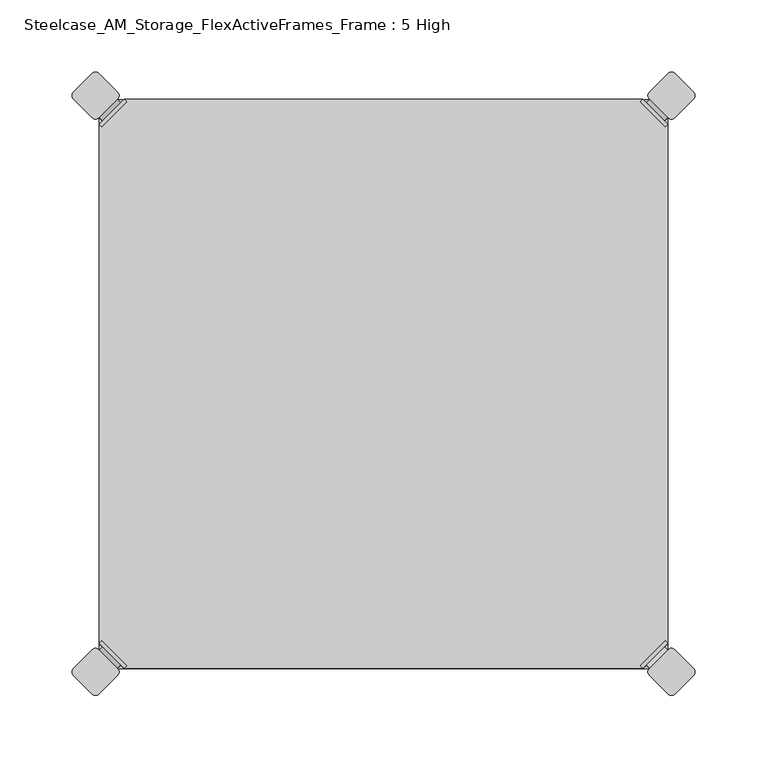
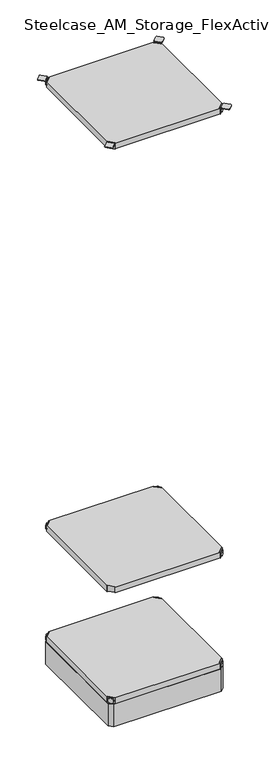
"""IFC4 building model written with IfcOpenShell, lengths in millimetres: furniture geometry, Steelcase_AM_Storage_FlexActiveFrames_Frame : 5 High."""

from ifc_helpers import new_model, si_unit, point, frame, frame_2d, origin, place, context, project, spatial, polyline, circle_curve, trimmed, segment, composite_curve, outline, extrude, source, transform, mapped, element, save
from ifc_brep_helpers import plane_surface, cylinder_surface, advanced_brep


def steelcase_am_storage_flexactiveframes_frame_5_high_f9ac3889(model_context):
    return source(origin(), model_context, "Body", "SolidModel", [
        advanced_brep(
        [(397.51, -380.2870969, 520.2936), (395.7139488, -378.4910456, 520.2936), (378.4910456, -395.7139488, 520.2936), (380.2870969, -397.51, 520.2936), (380.2870969, -397.51, 498.9576), (397.51, -380.2870969, 498.9576), (395.1847277, -382.6123691, 510.1336), (382.6123691, -395.1847277, 510.1336), (369.7579478, -352.5350447, 499.9736), (352.5350447, -369.7579478, 499.9736), (378.4910456, -395.7139488, 499.9736), (395.7139488, -378.4910456, 499.9736), (369.7579478, -352.5350447, 498.9576), (352.5350447, -369.7579478, 498.9576), (384.9272487, -397.4996073, 510.1336), (397.4996073, -384.9272487, 510.1336)],
        [
            (0, 1),
            (1, 2),
            (2, 3),
            (3, 0),
            (3, 4),
            (4, 5),
            (5, 0),
            (6, 7, circle_curve(frame((388.8985484, -388.8985484, 510.1336), z_axis=(-0.7071067811865446, 0.7071067811865505, 0.0), x_axis=(0.7071067811865505, 0.7071067811865446, 0.0)), 8.89)),
            (7, 6, circle_curve(frame((388.8985484, -388.8985484, 510.1336), z_axis=(-0.7071067811865446, 0.7071067811865505, 0.0), x_axis=(0.7071067811865505, 0.7071067811865446, 0.0)), 8.89)),
            (8, 9, circle_curve(frame((361.1464963, -361.1464963, 499.9736), z_axis=(0.0, 0.0, 1.0), x_axis=(-1.0, 0.0, 0.0)), 12.1784316)),
            (9, 10),
            (10, 11),
            (11, 8),
            (12, 5),
            (4, 13),
            (13, 12, circle_curve(frame((361.1464963, -361.1464963, 498.9576), z_axis=(0.0, 0.0, -1.0), x_axis=(-1.0, 0.0, 0.0)), 12.1784316)),
            (14, 15, circle_curve(frame((391.213428, -391.213428, 510.1336), z_axis=(0.7071067811865446, -0.7071067811865505, 0.0), x_axis=(0.7071067811865505, 0.7071067811865446, 0.0)), 8.89)),
            (15, 14, circle_curve(frame((391.213428, -391.213428, 510.1336), z_axis=(0.7071067811865446, -0.7071067811865505, 0.0), x_axis=(0.7071067811865505, 0.7071067811865446, 0.0)), 8.89)),
            (14, 7),
            (6, 15),
            (1, 11),
            (10, 2),
            (8, 12),
            (13, 9),
        ],
        [
            plane_surface(frame((419.7079872, -402.485084, 520.2936), z_axis=(0.0, 0.0, 1.0000000000000002), x_axis=(-0.7071067811865436, 0.7071067811865516, 0.0))),
            plane_surface(frame((380.2870969, -397.51, 520.2936), z_axis=(0.7071067811865447, -0.7071067811865503, 0.0), x_axis=(0.0, 0.0, -1.0))),
            plane_surface(frame((348.9680647, -361.1464963, 499.9736), z_axis=(0.0, 0.0, 1.0), x_axis=(0.0, -1.0, 0.0))),
            plane_surface(frame((348.9680647, -361.1464963, 498.9576), z_axis=(0.0, 0.0, -1.0), x_axis=(0.0, 1.0, 0.0))),
            plane_surface(frame((397.4996073, -384.9272487, 510.1336), z_axis=(0.7071067811865446, -0.7071067811865505, 0.0), x_axis=(0.0, 0.0, 1.0))),
            cylinder_surface(frame((388.8985484, -388.8985484, 510.1336), z_axis=(0.7071067811865446, -0.7071067811865505, 0.0), x_axis=(0.7071067811865505, 0.7071067811865446, 0.0)), 8.89),
            plane_surface(frame((395.7139488, -378.4910456, 520.2936), z_axis=(-0.7071067811865447, 0.7071067811865503, 0.0), x_axis=(0.0, 0.0, -1.0))),
            cylinder_surface(frame((361.1464963, -361.1464963, 498.9576), z_axis=(0.0, 0.0, 1.0), x_axis=(-1.0, 0.0, 0.0)), 12.1784316),
            plane_surface(frame((397.51, -380.2870969, 520.2936), z_axis=(0.7071067811865516, 0.7071067811865436, 0.0), x_axis=(0.0, 0.0, -1.0))),
            plane_surface(frame((378.4910456, -395.7139488, 520.2936), z_axis=(-0.7071067811865513, -0.7071067811865437, 0.0), x_axis=(0.0, 0.0, -1.0))),
        ],
        [
            (0, [[1, 2, 3, 4]]),
            (1, [[-4, 5, 6, 7], [8, 9]]),
            (2, [[10, 11, 12, 13]]),
            (3, [[14, -6, 15, 16]]),
            (4, [[17, 18]]),
            (5, [[-17, 19, -8, 20]]),
            (5, [[-18, -20, -9, -19]]),
            (6, [[-2, 21, -12, 22]]),
            (7, [[-10, 23, -16, 24]]),
            (8, [[-1, -7, -14, -23, -13, -21]]),
            (9, [[-3, -22, -11, -24, -15, -5]]),
        ],
    ),
        advanced_brep(
        [(397.51, -19.7629031, 520.2936), (380.2870969, -2.54, 520.2936), (378.4910456, -4.3360512, 520.2936), (395.7139488, -21.5589544, 520.2936), (397.51, -19.7629031, 498.9576), (380.2870969, -2.54, 498.9576), (395.1847277, -17.4376309, 510.1336), (382.6123691, -4.8652723, 510.1336), (369.7579478, -47.5149553, 499.9736), (395.7139488, -21.5589544, 499.9736), (378.4910456, -4.3360512, 499.9736), (352.5350447, -30.2920522, 499.9736), (369.7579478, -47.5149553, 498.9576), (352.5350447, -30.2920522, 498.9576), (384.9272487, -2.5503927, 510.1336), (397.4996073, -15.1227513, 510.1336)],
        [
            (0, 1),
            (1, 2),
            (2, 3),
            (3, 0),
            (0, 4),
            (4, 5),
            (5, 1),
            (6, 7, circle_curve(frame((388.8985484, -11.1514516, 510.1336), z_axis=(-0.7071067811865469, -0.7071067811865481, 0.0), x_axis=(0.7071067811865481, -0.7071067811865469, 0.0)), 8.89)),
            (7, 6, circle_curve(frame((388.8985484, -11.1514516, 510.1336), z_axis=(-0.7071067811865469, -0.7071067811865481, 0.0), x_axis=(0.7071067811865481, -0.7071067811865469, 0.0)), 8.89)),
            (8, 9),
            (9, 10),
            (10, 11),
            (11, 8, circle_curve(frame((361.1464963, -38.9035037, 499.9736), z_axis=(0.0, 0.0, 1.0), x_axis=(-1.0, 0.0, 0.0)), 12.1784316)),
            (12, 13, circle_curve(frame((361.1464963, -38.9035037, 498.9576), z_axis=(0.0, 0.0, -1.0), x_axis=(-1.0, 0.0, 0.0)), 12.1784316)),
            (13, 5),
            (4, 12),
            (14, 15, circle_curve(frame((391.213428, -8.836572, 510.1336), z_axis=(0.7071067811865469, 0.7071067811865481, 0.0), x_axis=(0.7071067811865481, -0.7071067811865469, 0.0)), 8.89)),
            (15, 14, circle_curve(frame((391.213428, -8.836572, 510.1336), z_axis=(0.7071067811865469, 0.7071067811865481, 0.0), x_axis=(0.7071067811865481, -0.7071067811865469, 0.0)), 8.89)),
            (15, 6),
            (7, 14),
            (2, 10),
            (9, 3),
            (11, 13),
            (12, 8),
        ],
        [
            plane_surface(frame((419.7079872, 2.435084, 520.2936), z_axis=(0.0, 0.0, 1.0000000000000002), x_axis=(-0.7071067811865459, -0.7071067811865492, 0.0))),
            plane_surface(frame((380.2870969, -2.54, 520.2936), z_axis=(0.707106781186547, 0.707106781186548, 0.0), x_axis=(0.0, 0.0, -1.0))),
            plane_surface(frame((348.9680647, -38.9035037, 499.9736), z_axis=(0.0, 0.0, 1.0), x_axis=(0.0, 1.0, 0.0))),
            plane_surface(frame((348.9680647, -38.9035037, 498.9576), z_axis=(0.0, 0.0, -1.0), x_axis=(0.0, -1.0, 0.0))),
            plane_surface(frame((397.4996073, -15.1227513, 510.1336), z_axis=(0.7071067811865469, 0.7071067811865481, 0.0), x_axis=(0.0, 0.0, 1.0))),
            cylinder_surface(frame((388.8985484, -11.1514516, 510.1336), z_axis=(0.7071067811865469, 0.7071067811865481, 0.0), x_axis=(0.7071067811865481, -0.7071067811865469, 0.0)), 8.89),
            plane_surface(frame((395.7139488, -21.5589544, 520.2936), z_axis=(-0.707106781186547, -0.707106781186548, 0.0), x_axis=(0.0, 0.0, -1.0))),
            cylinder_surface(frame((361.1464963, -38.9035037, 498.9576), z_axis=(0.0, 0.0, 1.0), x_axis=(-1.0, 0.0, 0.0)), 12.1784316),
            plane_surface(frame((397.51, -19.7629031, 520.2936), z_axis=(0.7071067811865492, -0.7071067811865459, 0.0), x_axis=(0.0, 0.0, -1.0))),
            plane_surface(frame((378.4910456, -4.3360512, 520.2936), z_axis=(-0.707106781186549, 0.707106781186546, 0.0), x_axis=(0.0, 0.0, -1.0))),
        ],
        [
            (0, [[1, 2, 3, 4]]),
            (1, [[5, 6, 7, -1], [8, 9]]),
            (2, [[10, 11, 12, 13]]),
            (3, [[14, 15, -6, 16]]),
            (4, [[17, 18]]),
            (5, [[19, -9, 20, -18]]),
            (5, [[-20, -8, -19, -17]]),
            (6, [[21, -11, 22, -3]]),
            (7, [[23, -14, 24, -13]]),
            (8, [[-22, -10, -24, -16, -5, -4]]),
            (9, [[-7, -15, -23, -12, -21, -2]]),
        ],
    ),
        advanced_brep(
        [(2.54, -19.7629031, 520.2936), (4.3360512, -21.5589544, 520.2936), (21.5589544, -4.3360512, 520.2936), (19.7629031, -2.54, 520.2936), (19.7629031, -2.54, 498.9576), (2.54, -19.7629031, 498.9576), (4.8652723, -17.4376309, 510.1336), (17.4376309, -4.8652723, 510.1336), (30.2920522, -47.5149553, 499.9736), (47.5149553, -30.2920522, 499.9736), (21.5589544, -4.3360512, 499.9736), (4.3360512, -21.5589544, 499.9736), (30.2920522, -47.5149553, 498.9576), (47.5149553, -30.2920522, 498.9576), (15.1227513, -2.5503927, 510.1336), (2.5503927, -15.1227513, 510.1336)],
        [
            (0, 1),
            (1, 2),
            (2, 3),
            (3, 0),
            (3, 4),
            (4, 5),
            (5, 0),
            (6, 7, circle_curve(frame((11.1514516, -11.1514516, 510.1336), z_axis=(0.7071067811865469, -0.7071067811865481, 0.0), x_axis=(-0.7071067811865481, -0.7071067811865469, 0.0)), 8.89)),
            (7, 6, circle_curve(frame((11.1514516, -11.1514516, 510.1336), z_axis=(0.7071067811865469, -0.7071067811865481, 0.0), x_axis=(-0.7071067811865481, -0.7071067811865469, 0.0)), 8.89)),
            (8, 9, circle_curve(frame((38.9035037, -38.9035037, 499.9736), z_axis=(0.0, 0.0, 1.0), x_axis=(1.0, 0.0, 0.0)), 12.1784316)),
            (9, 10),
            (10, 11),
            (11, 8),
            (12, 5),
            (4, 13),
            (13, 12, circle_curve(frame((38.9035037, -38.9035037, 498.9576), z_axis=(0.0, 0.0, -1.0), x_axis=(1.0, 0.0, 0.0)), 12.1784316)),
            (14, 15, circle_curve(frame((8.836572, -8.836572, 510.1336), z_axis=(-0.7071067811865469, 0.7071067811865481, 0.0), x_axis=(-0.7071067811865481, -0.7071067811865469, 0.0)), 8.89)),
            (15, 14, circle_curve(frame((8.836572, -8.836572, 510.1336), z_axis=(-0.7071067811865469, 0.7071067811865481, 0.0), x_axis=(-0.7071067811865481, -0.7071067811865469, 0.0)), 8.89)),
            (14, 7),
            (6, 15),
            (1, 11),
            (10, 2),
            (8, 12),
            (13, 9),
        ],
        [
            plane_surface(frame((-19.6579872, 2.435084, 520.2936), z_axis=(0.0, 0.0, 1.0000000000000002), x_axis=(0.7071067811865459, -0.7071067811865492, 0.0))),
            plane_surface(frame((19.7629031, -2.54, 520.2936), z_axis=(-0.707106781186547, 0.707106781186548, 0.0), x_axis=(0.0, 0.0, -1.0))),
            plane_surface(frame((51.0819353, -38.9035037, 499.9736), z_axis=(0.0, 0.0, 1.0), x_axis=(0.0, 1.0, 0.0))),
            plane_surface(frame((51.0819353, -38.9035037, 498.9576), z_axis=(0.0, 0.0, -1.0), x_axis=(0.0, -1.0, 0.0))),
            plane_surface(frame((2.5503927, -15.1227513, 510.1336), z_axis=(-0.7071067811865469, 0.7071067811865481, 0.0), x_axis=(0.0, 0.0, 1.0))),
            cylinder_surface(frame((11.1514516, -11.1514516, 510.1336), z_axis=(-0.7071067811865469, 0.7071067811865481, 0.0), x_axis=(-0.7071067811865481, -0.7071067811865469, 0.0)), 8.89),
            plane_surface(frame((4.3360512, -21.5589544, 520.2936), z_axis=(0.707106781186547, -0.707106781186548, 0.0), x_axis=(0.0, 0.0, -1.0))),
            cylinder_surface(frame((38.9035037, -38.9035037, 498.9576), z_axis=(0.0, 0.0, 1.0), x_axis=(1.0, 0.0, 0.0)), 12.1784316),
            plane_surface(frame((2.54, -19.7629031, 520.2936), z_axis=(-0.7071067811865492, -0.7071067811865459, 0.0), x_axis=(0.0, 0.0, -1.0))),
            plane_surface(frame((21.5589544, -4.3360512, 520.2936), z_axis=(0.707106781186549, 0.707106781186546, 0.0), x_axis=(0.0, 0.0, -1.0))),
        ],
        [
            (0, [[1, 2, 3, 4]]),
            (1, [[-4, 5, 6, 7], [8, 9]]),
            (2, [[10, 11, 12, 13]]),
            (3, [[14, -6, 15, 16]]),
            (4, [[17, 18]]),
            (5, [[-17, 19, -8, 20]]),
            (5, [[-18, -20, -9, -19]]),
            (6, [[-2, 21, -12, 22]]),
            (7, [[-10, 23, -16, 24]]),
            (8, [[-1, -7, -14, -23, -13, -21]]),
            (9, [[-3, -22, -11, -24, -15, -5]]),
        ],
    ),
        extrude(outline(polyline([(19.7629031, -2.54), (380.2870969, -2.54), (378.4910456, -4.3360512), (395.7139488, -21.5589544), (397.51, -19.7629031), (397.51, -380.2870969), (395.7139488, -378.4910456), (378.4910456, -395.7139488), (380.2870969, -397.51), (19.7629031, -397.51), (21.5589544, -395.7139488), (4.3360512, -378.4910456), (2.54, -380.2870969), (2.54, -19.7629031), (4.3360512, -21.5589544), (21.5589544, -4.3360512), (19.7629031, -2.54)])), frame((0.0, 0.0, 499.9736), z_axis=(0.0, 0.0, 1.0), x_axis=(1.0, 0.0, 0.0)), (0.0, 0.0, 1.0), 20.32),
        advanced_brep(
        [(2.54, -380.2870969, 2127.25), (19.7629031, -397.51, 2127.25), (21.5589544, -395.7139488, 2127.25), (4.3360512, -378.4910456, 2127.25), (2.54, -380.2870969, 2105.914), (19.7629031, -397.51, 2105.914), (4.8652723, -382.6123691, 2117.09), (17.4376309, -395.1847277, 2117.09), (30.2920522, -352.5350447, 2106.93), (4.3360512, -378.4910456, 2106.93), (21.5589544, -395.7139488, 2106.93), (47.5149553, -369.7579478, 2106.93), (30.2920522, -352.5350447, 2105.914), (47.5149553, -369.7579478, 2105.914), (15.1227513, -397.4996073, 2117.09), (2.5503927, -384.9272487, 2117.09)],
        [
            (0, 1),
            (1, 2),
            (2, 3),
            (3, 0),
            (0, 4),
            (4, 5),
            (5, 1),
            (6, 7, circle_curve(frame((11.1514516, -388.8985484, 2117.09), z_axis=(0.7071067811865446, 0.7071067811865505, 0.0), x_axis=(-0.7071067811865505, 0.7071067811865446, 0.0)), 8.89)),
            (7, 6, circle_curve(frame((11.1514516, -388.8985484, 2117.09), z_axis=(0.7071067811865446, 0.7071067811865505, 0.0), x_axis=(-0.7071067811865505, 0.7071067811865446, 0.0)), 8.89)),
            (8, 9),
            (9, 10),
            (10, 11),
            (11, 8, circle_curve(frame((38.9035037, -361.1464963, 2106.93), z_axis=(0.0, 0.0, 1.0), x_axis=(1.0, 0.0, 0.0)), 12.1784316)),
            (12, 13, circle_curve(frame((38.9035037, -361.1464963, 2105.914), z_axis=(0.0, 0.0, -1.0), x_axis=(1.0, 0.0, 0.0)), 12.1784316)),
            (13, 5),
            (4, 12),
            (14, 15, circle_curve(frame((8.836572, -391.213428, 2117.09), z_axis=(-0.7071067811865446, -0.7071067811865505, 0.0), x_axis=(-0.7071067811865505, 0.7071067811865446, 0.0)), 8.89)),
            (15, 14, circle_curve(frame((8.836572, -391.213428, 2117.09), z_axis=(-0.7071067811865446, -0.7071067811865505, 0.0), x_axis=(-0.7071067811865505, 0.7071067811865446, 0.0)), 8.89)),
            (15, 6),
            (7, 14),
            (2, 10),
            (9, 3),
            (11, 13),
            (12, 8),
        ],
        [
            plane_surface(frame((-19.6579872, -402.485084, 2127.25), z_axis=(0.0, 0.0, 1.0000000000000002), x_axis=(0.7071067811865436, 0.7071067811865516, 0.0))),
            plane_surface(frame((19.7629031, -397.51, 2127.25), z_axis=(-0.7071067811865447, -0.7071067811865503, 0.0), x_axis=(0.0, 0.0, -1.0))),
            plane_surface(frame((51.0819353, -361.1464963, 2106.93), z_axis=(0.0, 0.0, 1.0), x_axis=(0.0, -1.0, 0.0))),
            plane_surface(frame((51.0819353, -361.1464963, 2105.914), z_axis=(0.0, 0.0, -1.0), x_axis=(0.0, 1.0, 0.0))),
            plane_surface(frame((2.5503927, -384.9272487, 2117.09), z_axis=(-0.7071067811865446, -0.7071067811865505, 0.0), x_axis=(0.0, 0.0, 1.0))),
            cylinder_surface(frame((11.1514516, -388.8985484, 2117.09), z_axis=(-0.7071067811865446, -0.7071067811865505, 0.0), x_axis=(-0.7071067811865505, 0.7071067811865446, 0.0)), 8.89),
            plane_surface(frame((4.3360512, -378.4910456, 2127.25), z_axis=(0.7071067811865447, 0.7071067811865503, 0.0), x_axis=(0.0, 0.0, -1.0))),
            cylinder_surface(frame((38.9035037, -361.1464963, 2105.914), z_axis=(0.0, 0.0, 1.0), x_axis=(1.0, 0.0, 0.0)), 12.1784316),
            plane_surface(frame((2.54, -380.2870969, 2127.25), z_axis=(-0.7071067811865516, 0.7071067811865436, 0.0), x_axis=(0.0, 0.0, -1.0))),
            plane_surface(frame((21.5589544, -395.7139488, 2127.25), z_axis=(0.7071067811865513, -0.7071067811865437, 0.0), x_axis=(0.0, 0.0, -1.0))),
        ],
        [
            (0, [[1, 2, 3, 4]]),
            (1, [[5, 6, 7, -1], [8, 9]]),
            (2, [[10, 11, 12, 13]]),
            (3, [[14, 15, -6, 16]]),
            (4, [[17, 18]]),
            (5, [[19, -9, 20, -18]]),
            (5, [[-20, -8, -19, -17]]),
            (6, [[21, -11, 22, -3]]),
            (7, [[23, -14, 24, -13]]),
            (8, [[-22, -10, -24, -16, -5, -4]]),
            (9, [[-7, -15, -23, -12, -21, -2]]),
        ],
    ),
        advanced_brep(
        [(397.51, -380.2870969, 2127.25), (395.7139488, -378.4910456, 2127.25), (378.4910456, -395.7139488, 2127.25), (380.2870969, -397.51, 2127.25), (380.2870969, -397.51, 2105.914), (397.51, -380.2870969, 2105.914), (395.1847277, -382.6123691, 2117.09), (382.6123691, -395.1847277, 2117.09), (369.7579478, -352.5350447, 2106.93), (352.5350447, -369.7579478, 2106.93), (378.4910456, -395.7139488, 2106.93), (395.7139488, -378.4910456, 2106.93), (369.7579478, -352.5350447, 2105.914), (352.5350447, -369.7579478, 2105.914), (384.9272487, -397.4996073, 2117.09), (397.4996073, -384.9272487, 2117.09)],
        [
            (0, 1),
            (1, 2),
            (2, 3),
            (3, 0),
            (3, 4),
            (4, 5),
            (5, 0),
            (6, 7, circle_curve(frame((388.8985484, -388.8985484, 2117.09), z_axis=(-0.7071067811865446, 0.7071067811865505, 0.0), x_axis=(0.7071067811865505, 0.7071067811865446, 0.0)), 8.89)),
            (7, 6, circle_curve(frame((388.8985484, -388.8985484, 2117.09), z_axis=(-0.7071067811865446, 0.7071067811865505, 0.0), x_axis=(0.7071067811865505, 0.7071067811865446, 0.0)), 8.89)),
            (8, 9, circle_curve(frame((361.1464963, -361.1464963, 2106.93), z_axis=(0.0, 0.0, 1.0), x_axis=(-1.0, 0.0, 0.0)), 12.1784316)),
            (9, 10),
            (10, 11),
            (11, 8),
            (12, 5),
            (4, 13),
            (13, 12, circle_curve(frame((361.1464963, -361.1464963, 2105.914), z_axis=(0.0, 0.0, -1.0), x_axis=(-1.0, 0.0, 0.0)), 12.1784316)),
            (14, 15, circle_curve(frame((391.213428, -391.213428, 2117.09), z_axis=(0.7071067811865446, -0.7071067811865505, 0.0), x_axis=(0.7071067811865505, 0.7071067811865446, 0.0)), 8.89)),
            (15, 14, circle_curve(frame((391.213428, -391.213428, 2117.09), z_axis=(0.7071067811865446, -0.7071067811865505, 0.0), x_axis=(0.7071067811865505, 0.7071067811865446, 0.0)), 8.89)),
            (14, 7),
            (6, 15),
            (1, 11),
            (10, 2),
            (8, 12),
            (13, 9),
        ],
        [
            plane_surface(frame((419.7079872, -402.485084, 2127.25), z_axis=(0.0, 0.0, 1.0000000000000002), x_axis=(-0.7071067811865436, 0.7071067811865516, 0.0))),
            plane_surface(frame((380.2870969, -397.51, 2127.25), z_axis=(0.7071067811865447, -0.7071067811865503, 0.0), x_axis=(0.0, 0.0, -1.0))),
            plane_surface(frame((348.9680647, -361.1464963, 2106.93), z_axis=(0.0, 0.0, 1.0), x_axis=(0.0, -1.0, 0.0))),
            plane_surface(frame((348.9680647, -361.1464963, 2105.914), z_axis=(0.0, 0.0, -1.0), x_axis=(0.0, 1.0, 0.0))),
            plane_surface(frame((397.4996073, -384.9272487, 2117.09), z_axis=(0.7071067811865446, -0.7071067811865505, 0.0), x_axis=(0.0, 0.0, 1.0))),
            cylinder_surface(frame((388.8985484, -388.8985484, 2117.09), z_axis=(0.7071067811865446, -0.7071067811865505, 0.0), x_axis=(0.7071067811865505, 0.7071067811865446, 0.0)), 8.89),
            plane_surface(frame((395.7139488, -378.4910456, 2127.25), z_axis=(-0.7071067811865447, 0.7071067811865503, 0.0), x_axis=(0.0, 0.0, -1.0))),
            cylinder_surface(frame((361.1464963, -361.1464963, 2105.914), z_axis=(0.0, 0.0, 1.0), x_axis=(-1.0, 0.0, 0.0)), 12.1784316),
            plane_surface(frame((397.51, -380.2870969, 2127.25), z_axis=(0.7071067811865516, 0.7071067811865436, 0.0), x_axis=(0.0, 0.0, -1.0))),
            plane_surface(frame((378.4910456, -395.7139488, 2127.25), z_axis=(-0.7071067811865513, -0.7071067811865437, 0.0), x_axis=(0.0, 0.0, -1.0))),
        ],
        [
            (0, [[1, 2, 3, 4]]),
            (1, [[-4, 5, 6, 7], [8, 9]]),
            (2, [[10, 11, 12, 13]]),
            (3, [[14, -6, 15, 16]]),
            (4, [[17, 18]]),
            (5, [[-17, 19, -8, 20]]),
            (5, [[-18, -20, -9, -19]]),
            (6, [[-2, 21, -12, 22]]),
            (7, [[-10, 23, -16, 24]]),
            (8, [[-1, -7, -14, -23, -13, -21]]),
            (9, [[-3, -22, -11, -24, -15, -5]]),
        ],
    ),
        advanced_brep(
        [(397.51, -19.7629031, 2127.25), (380.2870969, -2.54, 2127.25), (378.4910456, -4.3360512, 2127.25), (395.7139488, -21.5589544, 2127.25), (397.51, -19.7629031, 2105.914), (380.2870969, -2.54, 2105.914), (395.1847277, -17.4376309, 2117.09), (382.6123691, -4.8652723, 2117.09), (369.7579478, -47.5149553, 2106.93), (395.7139488, -21.5589544, 2106.93), (378.4910456, -4.3360512, 2106.93), (352.5350447, -30.2920522, 2106.93), (369.7579478, -47.5149553, 2105.914), (352.5350447, -30.2920522, 2105.914), (384.9272487, -2.5503927, 2117.09), (397.4996073, -15.1227513, 2117.09)],
        [
            (0, 1),
            (1, 2),
            (2, 3),
            (3, 0),
            (0, 4),
            (4, 5),
            (5, 1),
            (6, 7, circle_curve(frame((388.8985484, -11.1514516, 2117.09), z_axis=(-0.7071067811865469, -0.7071067811865481, 0.0), x_axis=(0.7071067811865481, -0.7071067811865469, 0.0)), 8.89)),
            (7, 6, circle_curve(frame((388.8985484, -11.1514516, 2117.09), z_axis=(-0.7071067811865469, -0.7071067811865481, 0.0), x_axis=(0.7071067811865481, -0.7071067811865469, 0.0)), 8.89)),
            (8, 9),
            (9, 10),
            (10, 11),
            (11, 8, circle_curve(frame((361.1464963, -38.9035037, 2106.93), z_axis=(0.0, 0.0, 1.0), x_axis=(-1.0, 0.0, 0.0)), 12.1784316)),
            (12, 13, circle_curve(frame((361.1464963, -38.9035037, 2105.914), z_axis=(0.0, 0.0, -1.0), x_axis=(-1.0, 0.0, 0.0)), 12.1784316)),
            (13, 5),
            (4, 12),
            (14, 15, circle_curve(frame((391.213428, -8.836572, 2117.09), z_axis=(0.7071067811865469, 0.7071067811865481, 0.0), x_axis=(0.7071067811865481, -0.7071067811865469, 0.0)), 8.89)),
            (15, 14, circle_curve(frame((391.213428, -8.836572, 2117.09), z_axis=(0.7071067811865469, 0.7071067811865481, 0.0), x_axis=(0.7071067811865481, -0.7071067811865469, 0.0)), 8.89)),
            (15, 6),
            (7, 14),
            (2, 10),
            (9, 3),
            (11, 13),
            (12, 8),
        ],
        [
            plane_surface(frame((419.7079872, 2.435084, 2127.25), z_axis=(0.0, 0.0, 1.0000000000000002), x_axis=(-0.7071067811865459, -0.7071067811865492, 0.0))),
            plane_surface(frame((380.2870969, -2.54, 2127.25), z_axis=(0.707106781186547, 0.707106781186548, 0.0), x_axis=(0.0, 0.0, -1.0))),
            plane_surface(frame((348.9680647, -38.9035037, 2106.93), z_axis=(0.0, 0.0, 1.0), x_axis=(0.0, 1.0, 0.0))),
            plane_surface(frame((348.9680647, -38.9035037, 2105.914), z_axis=(0.0, 0.0, -1.0), x_axis=(0.0, -1.0, 0.0))),
            plane_surface(frame((397.4996073, -15.1227513, 2117.09), z_axis=(0.7071067811865469, 0.7071067811865481, 0.0), x_axis=(0.0, 0.0, 1.0))),
            cylinder_surface(frame((388.8985484, -11.1514516, 2117.09), z_axis=(0.7071067811865469, 0.7071067811865481, 0.0), x_axis=(0.7071067811865481, -0.7071067811865469, 0.0)), 8.89),
            plane_surface(frame((395.7139488, -21.5589544, 2127.25), z_axis=(-0.707106781186547, -0.707106781186548, 0.0), x_axis=(0.0, 0.0, -1.0))),
            cylinder_surface(frame((361.1464963, -38.9035037, 2105.914), z_axis=(0.0, 0.0, 1.0), x_axis=(-1.0, 0.0, 0.0)), 12.1784316),
            plane_surface(frame((397.51, -19.7629031, 2127.25), z_axis=(0.7071067811865492, -0.7071067811865459, 0.0), x_axis=(0.0, 0.0, -1.0))),
            plane_surface(frame((378.4910456, -4.3360512, 2127.25), z_axis=(-0.707106781186549, 0.707106781186546, 0.0), x_axis=(0.0, 0.0, -1.0))),
        ],
        [
            (0, [[1, 2, 3, 4]]),
            (1, [[5, 6, 7, -1], [8, 9]]),
            (2, [[10, 11, 12, 13]]),
            (3, [[14, 15, -6, 16]]),
            (4, [[17, 18]]),
            (5, [[19, -9, 20, -18]]),
            (5, [[-20, -8, -19, -17]]),
            (6, [[21, -11, 22, -3]]),
            (7, [[23, -14, 24, -13]]),
            (8, [[-22, -10, -24, -16, -5, -4]]),
            (9, [[-7, -15, -23, -12, -21, -2]]),
        ],
    ),
        advanced_brep(
        [(2.54, -19.7629031, 2127.25), (4.3360512, -21.5589544, 2127.25), (21.5589544, -4.3360512, 2127.25), (19.7629031, -2.54, 2127.25), (19.7629031, -2.54, 2105.914), (2.54, -19.7629031, 2105.914), (4.8652723, -17.4376309, 2117.09), (17.4376309, -4.8652723, 2117.09), (30.2920522, -47.5149553, 2106.93), (47.5149553, -30.2920522, 2106.93), (21.5589544, -4.3360512, 2106.93), (4.3360512, -21.5589544, 2106.93), (30.2920522, -47.5149553, 2105.914), (47.5149553, -30.2920522, 2105.914), (15.1227513, -2.5503927, 2117.09), (2.5503927, -15.1227513, 2117.09)],
        [
            (0, 1),
            (1, 2),
            (2, 3),
            (3, 0),
            (3, 4),
            (4, 5),
            (5, 0),
            (6, 7, circle_curve(frame((11.1514516, -11.1514516, 2117.09), z_axis=(0.7071067811865469, -0.7071067811865481, 0.0), x_axis=(-0.7071067811865481, -0.7071067811865469, 0.0)), 8.89)),
            (7, 6, circle_curve(frame((11.1514516, -11.1514516, 2117.09), z_axis=(0.7071067811865469, -0.7071067811865481, 0.0), x_axis=(-0.7071067811865481, -0.7071067811865469, 0.0)), 8.89)),
            (8, 9, circle_curve(frame((38.9035037, -38.9035037, 2106.93), z_axis=(0.0, 0.0, 1.0), x_axis=(1.0, 0.0, 0.0)), 12.1784316)),
            (9, 10),
            (10, 11),
            (11, 8),
            (12, 5),
            (4, 13),
            (13, 12, circle_curve(frame((38.9035037, -38.9035037, 2105.914), z_axis=(0.0, 0.0, -1.0), x_axis=(1.0, 0.0, 0.0)), 12.1784316)),
            (14, 15, circle_curve(frame((8.836572, -8.836572, 2117.09), z_axis=(-0.7071067811865469, 0.7071067811865481, 0.0), x_axis=(-0.7071067811865481, -0.7071067811865469, 0.0)), 8.89)),
            (15, 14, circle_curve(frame((8.836572, -8.836572, 2117.09), z_axis=(-0.7071067811865469, 0.7071067811865481, 0.0), x_axis=(-0.7071067811865481, -0.7071067811865469, 0.0)), 8.89)),
            (14, 7),
            (6, 15),
            (1, 11),
            (10, 2),
            (8, 12),
            (13, 9),
        ],
        [
            plane_surface(frame((-19.6579872, 2.435084, 2127.25), z_axis=(0.0, 0.0, 1.0000000000000002), x_axis=(0.7071067811865459, -0.7071067811865492, 0.0))),
            plane_surface(frame((19.7629031, -2.54, 2127.25), z_axis=(-0.707106781186547, 0.707106781186548, 0.0), x_axis=(0.0, 0.0, -1.0))),
            plane_surface(frame((51.0819353, -38.9035037, 2106.93), z_axis=(0.0, 0.0, 1.0), x_axis=(0.0, 1.0, 0.0))),
            plane_surface(frame((51.0819353, -38.9035037, 2105.914), z_axis=(0.0, 0.0, -1.0), x_axis=(0.0, -1.0, 0.0))),
            plane_surface(frame((2.5503927, -15.1227513, 2117.09), z_axis=(-0.7071067811865469, 0.7071067811865481, 0.0), x_axis=(0.0, 0.0, 1.0))),
            cylinder_surface(frame((11.1514516, -11.1514516, 2117.09), z_axis=(-0.7071067811865469, 0.7071067811865481, 0.0), x_axis=(-0.7071067811865481, -0.7071067811865469, 0.0)), 8.89),
            plane_surface(frame((4.3360512, -21.5589544, 2127.25), z_axis=(0.707106781186547, -0.707106781186548, 0.0), x_axis=(0.0, 0.0, -1.0))),
            cylinder_surface(frame((38.9035037, -38.9035037, 2105.914), z_axis=(0.0, 0.0, 1.0), x_axis=(1.0, 0.0, 0.0)), 12.1784316),
            plane_surface(frame((2.54, -19.7629031, 2127.25), z_axis=(-0.7071067811865492, -0.7071067811865459, 0.0), x_axis=(0.0, 0.0, -1.0))),
            plane_surface(frame((21.5589544, -4.3360512, 2127.25), z_axis=(0.707106781186549, 0.707106781186546, 0.0), x_axis=(0.0, 0.0, -1.0))),
        ],
        [
            (0, [[1, 2, 3, 4]]),
            (1, [[-4, 5, 6, 7], [8, 9]]),
            (2, [[10, 11, 12, 13]]),
            (3, [[14, -6, 15, 16]]),
            (4, [[17, 18]]),
            (5, [[-17, 19, -8, 20]]),
            (5, [[-18, -20, -9, -19]]),
            (6, [[-2, 21, -12, 22]]),
            (7, [[-10, 23, -16, 24]]),
            (8, [[-1, -7, -14, -23, -13, -21]]),
            (9, [[-3, -22, -11, -24, -15, -5]]),
        ],
    ),
        extrude(outline(polyline([(19.7629031, -2.54), (380.2870969, -2.54), (378.4910456, -4.3360512), (395.7139488, -21.5589544), (397.51, -19.7629031), (397.51, -380.2870969), (395.7139488, -378.4910456), (378.4910456, -395.7139488), (380.2870969, -397.51), (19.7629031, -397.51), (21.5589544, -395.7139488), (4.3360512, -378.4910456), (2.54, -380.2870969), (2.54, -19.7629031), (4.3360512, -21.5589544), (21.5589544, -4.3360512), (19.7629031, -2.54)])), frame((0.0, 0.0, 2106.93), z_axis=(0.0, 0.0, 1.0), x_axis=(1.0, 0.0, 0.0)), (0.0, 0.0, 1.0), 20.32),
        advanced_brep(
        [(2.54, -380.2870969, 118.9736), (19.7629031, -397.51, 118.9736), (21.5589544, -395.7139488, 118.9736), (4.3360512, -378.4910456, 118.9736), (2.54, -380.2870969, 97.6376), (19.7629031, -397.51, 97.6376), (4.8652723, -382.6123691, 108.8136), (17.4376309, -395.1847277, 108.8136), (30.2920522, -352.5350447, 98.6536), (4.3360512, -378.4910456, 98.6536), (21.5589544, -395.7139488, 98.6536), (47.5149553, -369.7579478, 98.6536), (30.2920522, -352.5350447, 97.6376), (47.5149553, -369.7579478, 97.6376), (15.1227513, -397.4996073, 108.8136), (2.5503927, -384.9272487, 108.8136)],
        [
            (0, 1),
            (1, 2),
            (2, 3),
            (3, 0),
            (0, 4),
            (4, 5),
            (5, 1),
            (6, 7, circle_curve(frame((11.1514516, -388.8985484, 108.8136), z_axis=(0.7071067811865446, 0.7071067811865505, 0.0), x_axis=(-0.7071067811865505, 0.7071067811865446, 0.0)), 8.89)),
            (7, 6, circle_curve(frame((11.1514516, -388.8985484, 108.8136), z_axis=(0.7071067811865446, 0.7071067811865505, 0.0), x_axis=(-0.7071067811865505, 0.7071067811865446, 0.0)), 8.89)),
            (8, 9),
            (9, 10),
            (10, 11),
            (11, 8, circle_curve(frame((38.9035037, -361.1464963, 98.6536), z_axis=(0.0, 0.0, 1.0), x_axis=(1.0, 0.0, 0.0)), 12.1784316)),
            (12, 13, circle_curve(frame((38.9035037, -361.1464963, 97.6376), z_axis=(0.0, 0.0, -1.0), x_axis=(1.0, 0.0, 0.0)), 12.1784316)),
            (13, 5),
            (4, 12),
            (14, 15, circle_curve(frame((8.836572, -391.213428, 108.8136), z_axis=(-0.7071067811865446, -0.7071067811865505, 0.0), x_axis=(-0.7071067811865505, 0.7071067811865446, 0.0)), 8.89)),
            (15, 14, circle_curve(frame((8.836572, -391.213428, 108.8136), z_axis=(-0.7071067811865446, -0.7071067811865505, 0.0), x_axis=(-0.7071067811865505, 0.7071067811865446, 0.0)), 8.89)),
            (15, 6),
            (7, 14),
            (2, 10),
            (9, 3),
            (11, 13),
            (12, 8),
        ],
        [
            plane_surface(frame((-19.6579872, -402.485084, 118.9736), z_axis=(0.0, 0.0, 1.0000000000000002), x_axis=(0.7071067811865436, 0.7071067811865516, 0.0))),
            plane_surface(frame((19.7629031, -397.51, 118.9736), z_axis=(-0.7071067811865447, -0.7071067811865503, 0.0), x_axis=(0.0, 0.0, -1.0))),
            plane_surface(frame((51.0819353, -361.1464963, 98.6536), z_axis=(0.0, 0.0, 1.0), x_axis=(0.0, -1.0, 0.0))),
            plane_surface(frame((51.0819353, -361.1464963, 97.6376), z_axis=(0.0, 0.0, -1.0), x_axis=(0.0, 1.0, 0.0))),
            plane_surface(frame((2.5503927, -384.9272487, 108.8136), z_axis=(-0.7071067811865446, -0.7071067811865505, 0.0), x_axis=(0.0, 0.0, 1.0))),
            cylinder_surface(frame((11.1514516, -388.8985484, 108.8136), z_axis=(-0.7071067811865446, -0.7071067811865505, 0.0), x_axis=(-0.7071067811865505, 0.7071067811865446, 0.0)), 8.89),
            plane_surface(frame((4.3360512, -378.4910456, 118.9736), z_axis=(0.7071067811865447, 0.7071067811865503, 0.0), x_axis=(0.0, 0.0, -1.0))),
            cylinder_surface(frame((38.9035037, -361.1464963, 97.6376), z_axis=(0.0, 0.0, 1.0), x_axis=(1.0, 0.0, 0.0)), 12.1784316),
            plane_surface(frame((2.54, -380.2870969, 118.9736), z_axis=(-0.7071067811865516, 0.7071067811865436, 0.0), x_axis=(0.0, 0.0, -1.0))),
            plane_surface(frame((21.5589544, -395.7139488, 118.9736), z_axis=(0.7071067811865513, -0.7071067811865437, 0.0), x_axis=(0.0, 0.0, -1.0))),
        ],
        [
            (0, [[1, 2, 3, 4]]),
            (1, [[5, 6, 7, -1], [8, 9]]),
            (2, [[10, 11, 12, 13]]),
            (3, [[14, 15, -6, 16]]),
            (4, [[17, 18]]),
            (5, [[19, -9, 20, -18]]),
            (5, [[-20, -8, -19, -17]]),
            (6, [[21, -11, 22, -3]]),
            (7, [[23, -14, 24, -13]]),
            (8, [[-22, -10, -24, -16, -5, -4]]),
            (9, [[-7, -15, -23, -12, -21, -2]]),
        ],
    ),
        advanced_brep(
        [(397.51, -380.2870969, 118.9736), (395.7139488, -378.4910456, 118.9736), (378.4910456, -395.7139488, 118.9736), (380.2870969, -397.51, 118.9736), (380.2870969, -397.51, 97.6376), (397.51, -380.2870969, 97.6376), (395.1847277, -382.6123691, 108.8136), (382.6123691, -395.1847277, 108.8136), (369.7579478, -352.5350447, 98.6536), (352.5350447, -369.7579478, 98.6536), (378.4910456, -395.7139488, 98.6536), (395.7139488, -378.4910456, 98.6536), (369.7579478, -352.5350447, 97.6376), (352.5350447, -369.7579478, 97.6376), (384.9272487, -397.4996073, 108.8136), (397.4996073, -384.9272487, 108.8136)],
        [
            (0, 1),
            (1, 2),
            (2, 3),
            (3, 0),
            (3, 4),
            (4, 5),
            (5, 0),
            (6, 7, circle_curve(frame((388.8985484, -388.8985484, 108.8136), z_axis=(-0.7071067811865446, 0.7071067811865505, 0.0), x_axis=(0.7071067811865505, 0.7071067811865446, 0.0)), 8.89)),
            (7, 6, circle_curve(frame((388.8985484, -388.8985484, 108.8136), z_axis=(-0.7071067811865446, 0.7071067811865505, 0.0), x_axis=(0.7071067811865505, 0.7071067811865446, 0.0)), 8.89)),
            (8, 9, circle_curve(frame((361.1464963, -361.1464963, 98.6536), z_axis=(0.0, 0.0, 1.0), x_axis=(-1.0, 0.0, 0.0)), 12.1784316)),
            (9, 10),
            (10, 11),
            (11, 8),
            (12, 5),
            (4, 13),
            (13, 12, circle_curve(frame((361.1464963, -361.1464963, 97.6376), z_axis=(0.0, 0.0, -1.0), x_axis=(-1.0, 0.0, 0.0)), 12.1784316)),
            (14, 15, circle_curve(frame((391.213428, -391.213428, 108.8136), z_axis=(0.7071067811865446, -0.7071067811865505, 0.0), x_axis=(0.7071067811865505, 0.7071067811865446, 0.0)), 8.89)),
            (15, 14, circle_curve(frame((391.213428, -391.213428, 108.8136), z_axis=(0.7071067811865446, -0.7071067811865505, 0.0), x_axis=(0.7071067811865505, 0.7071067811865446, 0.0)), 8.89)),
            (14, 7),
            (6, 15),
            (1, 11),
            (10, 2),
            (8, 12),
            (13, 9),
        ],
        [
            plane_surface(frame((419.7079872, -402.485084, 118.9736), z_axis=(0.0, 0.0, 1.0000000000000002), x_axis=(-0.7071067811865436, 0.7071067811865516, 0.0))),
            plane_surface(frame((380.2870969, -397.51, 118.9736), z_axis=(0.7071067811865447, -0.7071067811865503, 0.0), x_axis=(0.0, 0.0, -1.0))),
            plane_surface(frame((348.9680647, -361.1464963, 98.6536), z_axis=(0.0, 0.0, 1.0), x_axis=(0.0, -1.0, 0.0))),
            plane_surface(frame((348.9680647, -361.1464963, 97.6376), z_axis=(0.0, 0.0, -1.0), x_axis=(0.0, 1.0, 0.0))),
            plane_surface(frame((397.4996073, -384.9272487, 108.8136), z_axis=(0.7071067811865446, -0.7071067811865505, 0.0), x_axis=(0.0, 0.0, 1.0))),
            cylinder_surface(frame((388.8985484, -388.8985484, 108.8136), z_axis=(0.7071067811865446, -0.7071067811865505, 0.0), x_axis=(0.7071067811865505, 0.7071067811865446, 0.0)), 8.89),
            plane_surface(frame((395.7139488, -378.4910456, 118.9736), z_axis=(-0.7071067811865447, 0.7071067811865503, 0.0), x_axis=(0.0, 0.0, -1.0))),
            cylinder_surface(frame((361.1464963, -361.1464963, 97.6376), z_axis=(0.0, 0.0, 1.0), x_axis=(-1.0, 0.0, 0.0)), 12.1784316),
            plane_surface(frame((397.51, -380.2870969, 118.9736), z_axis=(0.7071067811865516, 0.7071067811865436, 0.0), x_axis=(0.0, 0.0, -1.0))),
            plane_surface(frame((378.4910456, -395.7139488, 118.9736), z_axis=(-0.7071067811865513, -0.7071067811865437, 0.0), x_axis=(0.0, 0.0, -1.0))),
        ],
        [
            (0, [[1, 2, 3, 4]]),
            (1, [[-4, 5, 6, 7], [8, 9]]),
            (2, [[10, 11, 12, 13]]),
            (3, [[14, -6, 15, 16]]),
            (4, [[17, 18]]),
            (5, [[-17, 19, -8, 20]]),
            (5, [[-18, -20, -9, -19]]),
            (6, [[-2, 21, -12, 22]]),
            (7, [[-10, 23, -16, 24]]),
            (8, [[-1, -7, -14, -23, -13, -21]]),
            (9, [[-3, -22, -11, -24, -15, -5]]),
        ],
    ),
        advanced_brep(
        [(397.51, -19.7629031, 118.9736), (380.2870969, -2.54, 118.9736), (378.4910456, -4.3360512, 118.9736), (395.7139488, -21.5589544, 118.9736), (397.51, -19.7629031, 97.6376), (380.2870969, -2.54, 97.6376), (395.1847277, -17.4376309, 108.8136), (382.6123691, -4.8652723, 108.8136), (369.7579478, -47.5149553, 98.6536), (395.7139488, -21.5589544, 98.6536), (378.4910456, -4.3360512, 98.6536), (352.5350447, -30.2920522, 98.6536), (369.7579478, -47.5149553, 97.6376), (352.5350447, -30.2920522, 97.6376), (384.9272487, -2.5503927, 108.8136), (397.4996073, -15.1227513, 108.8136)],
        [
            (0, 1),
            (1, 2),
            (2, 3),
            (3, 0),
            (0, 4),
            (4, 5),
            (5, 1),
            (6, 7, circle_curve(frame((388.8985484, -11.1514516, 108.8136), z_axis=(-0.7071067811865469, -0.7071067811865481, 0.0), x_axis=(0.7071067811865481, -0.7071067811865469, 0.0)), 8.89)),
            (7, 6, circle_curve(frame((388.8985484, -11.1514516, 108.8136), z_axis=(-0.7071067811865469, -0.7071067811865481, 0.0), x_axis=(0.7071067811865481, -0.7071067811865469, 0.0)), 8.89)),
            (8, 9),
            (9, 10),
            (10, 11),
            (11, 8, circle_curve(frame((361.1464963, -38.9035037, 98.6536), z_axis=(0.0, 0.0, 1.0), x_axis=(-1.0, 0.0, 0.0)), 12.1784316)),
            (12, 13, circle_curve(frame((361.1464963, -38.9035037, 97.6376), z_axis=(0.0, 0.0, -1.0), x_axis=(-1.0, 0.0, 0.0)), 12.1784316)),
            (13, 5),
            (4, 12),
            (14, 15, circle_curve(frame((391.213428, -8.836572, 108.8136), z_axis=(0.7071067811865469, 0.7071067811865481, 0.0), x_axis=(0.7071067811865481, -0.7071067811865469, 0.0)), 8.89)),
            (15, 14, circle_curve(frame((391.213428, -8.836572, 108.8136), z_axis=(0.7071067811865469, 0.7071067811865481, 0.0), x_axis=(0.7071067811865481, -0.7071067811865469, 0.0)), 8.89)),
            (15, 6),
            (7, 14),
            (2, 10),
            (9, 3),
            (11, 13),
            (12, 8),
        ],
        [
            plane_surface(frame((419.7079872, 2.435084, 118.9736), z_axis=(0.0, 0.0, 1.0000000000000002), x_axis=(-0.7071067811865459, -0.7071067811865492, 0.0))),
            plane_surface(frame((380.2870969, -2.54, 118.9736), z_axis=(0.707106781186547, 0.707106781186548, 0.0), x_axis=(0.0, 0.0, -1.0))),
            plane_surface(frame((348.9680647, -38.9035037, 98.6536), z_axis=(0.0, 0.0, 1.0), x_axis=(0.0, 1.0, 0.0))),
            plane_surface(frame((348.9680647, -38.9035037, 97.6376), z_axis=(0.0, 0.0, -1.0), x_axis=(0.0, -1.0, 0.0))),
            plane_surface(frame((397.4996073, -15.1227513, 108.8136), z_axis=(0.7071067811865469, 0.7071067811865481, 0.0), x_axis=(0.0, 0.0, 1.0))),
            cylinder_surface(frame((388.8985484, -11.1514516, 108.8136), z_axis=(0.7071067811865469, 0.7071067811865481, 0.0), x_axis=(0.7071067811865481, -0.7071067811865469, 0.0)), 8.89),
            plane_surface(frame((395.7139488, -21.5589544, 118.9736), z_axis=(-0.707106781186547, -0.707106781186548, 0.0), x_axis=(0.0, 0.0, -1.0))),
            cylinder_surface(frame((361.1464963, -38.9035037, 97.6376), z_axis=(0.0, 0.0, 1.0), x_axis=(-1.0, 0.0, 0.0)), 12.1784316),
            plane_surface(frame((397.51, -19.7629031, 118.9736), z_axis=(0.7071067811865492, -0.7071067811865459, 0.0), x_axis=(0.0, 0.0, -1.0))),
            plane_surface(frame((378.4910456, -4.3360512, 118.9736), z_axis=(-0.707106781186549, 0.707106781186546, 0.0), x_axis=(0.0, 0.0, -1.0))),
        ],
        [
            (0, [[1, 2, 3, 4]]),
            (1, [[5, 6, 7, -1], [8, 9]]),
            (2, [[10, 11, 12, 13]]),
            (3, [[14, 15, -6, 16]]),
            (4, [[17, 18]]),
            (5, [[19, -9, 20, -18]]),
            (5, [[-20, -8, -19, -17]]),
            (6, [[21, -11, 22, -3]]),
            (7, [[23, -14, 24, -13]]),
            (8, [[-22, -10, -24, -16, -5, -4]]),
            (9, [[-7, -15, -23, -12, -21, -2]]),
        ],
    ),
        advanced_brep(
        [(2.54, -19.7629031, 118.9736), (4.3360512, -21.5589544, 118.9736), (21.5589544, -4.3360512, 118.9736), (19.7629031, -2.54, 118.9736), (19.7629031, -2.54, 97.6376), (2.54, -19.7629031, 97.6376), (4.8652723, -17.4376309, 108.8136), (17.4376309, -4.8652723, 108.8136), (30.2920522, -47.5149553, 98.6536), (47.5149553, -30.2920522, 98.6536), (21.5589544, -4.3360512, 98.6536), (4.3360512, -21.5589544, 98.6536), (30.2920522, -47.5149553, 97.6376), (47.5149553, -30.2920522, 97.6376), (15.1227513, -2.5503927, 108.8136), (2.5503927, -15.1227513, 108.8136)],
        [
            (0, 1),
            (1, 2),
            (2, 3),
            (3, 0),
            (3, 4),
            (4, 5),
            (5, 0),
            (6, 7, circle_curve(frame((11.1514516, -11.1514516, 108.8136), z_axis=(0.7071067811865469, -0.7071067811865481, 0.0), x_axis=(-0.7071067811865481, -0.7071067811865469, 0.0)), 8.89)),
            (7, 6, circle_curve(frame((11.1514516, -11.1514516, 108.8136), z_axis=(0.7071067811865469, -0.7071067811865481, 0.0), x_axis=(-0.7071067811865481, -0.7071067811865469, 0.0)), 8.89)),
            (8, 9, circle_curve(frame((38.9035037, -38.9035037, 98.6536), z_axis=(0.0, 0.0, 1.0), x_axis=(1.0, 0.0, 0.0)), 12.1784316)),
            (9, 10),
            (10, 11),
            (11, 8),
            (12, 5),
            (4, 13),
            (13, 12, circle_curve(frame((38.9035037, -38.9035037, 97.6376), z_axis=(0.0, 0.0, -1.0), x_axis=(1.0, 0.0, 0.0)), 12.1784316)),
            (14, 15, circle_curve(frame((8.836572, -8.836572, 108.8136), z_axis=(-0.7071067811865469, 0.7071067811865481, 0.0), x_axis=(-0.7071067811865481, -0.7071067811865469, 0.0)), 8.89)),
            (15, 14, circle_curve(frame((8.836572, -8.836572, 108.8136), z_axis=(-0.7071067811865469, 0.7071067811865481, 0.0), x_axis=(-0.7071067811865481, -0.7071067811865469, 0.0)), 8.89)),
            (14, 7),
            (6, 15),
            (1, 11),
            (10, 2),
            (8, 12),
            (13, 9),
        ],
        [
            plane_surface(frame((-19.6579872, 2.435084, 118.9736), z_axis=(0.0, 0.0, 1.0000000000000002), x_axis=(0.7071067811865459, -0.7071067811865492, 0.0))),
            plane_surface(frame((19.7629031, -2.54, 118.9736), z_axis=(-0.707106781186547, 0.707106781186548, 0.0), x_axis=(0.0, 0.0, -1.0))),
            plane_surface(frame((51.0819353, -38.9035037, 98.6536), z_axis=(0.0, 0.0, 1.0), x_axis=(0.0, 1.0, 0.0))),
            plane_surface(frame((51.0819353, -38.9035037, 97.6376), z_axis=(0.0, 0.0, -1.0), x_axis=(0.0, -1.0, 0.0))),
            plane_surface(frame((2.5503927, -15.1227513, 108.8136), z_axis=(-0.7071067811865469, 0.7071067811865481, 0.0), x_axis=(0.0, 0.0, 1.0))),
            cylinder_surface(frame((11.1514516, -11.1514516, 108.8136), z_axis=(-0.7071067811865469, 0.7071067811865481, 0.0), x_axis=(-0.7071067811865481, -0.7071067811865469, 0.0)), 8.89),
            plane_surface(frame((4.3360512, -21.5589544, 118.9736), z_axis=(0.707106781186547, -0.707106781186548, 0.0), x_axis=(0.0, 0.0, -1.0))),
            cylinder_surface(frame((38.9035037, -38.9035037, 97.6376), z_axis=(0.0, 0.0, 1.0), x_axis=(1.0, 0.0, 0.0)), 12.1784316),
            plane_surface(frame((2.54, -19.7629031, 118.9736), z_axis=(-0.7071067811865492, -0.7071067811865459, 0.0), x_axis=(0.0, 0.0, -1.0))),
            plane_surface(frame((21.5589544, -4.3360512, 118.9736), z_axis=(0.707106781186549, 0.707106781186546, 0.0), x_axis=(0.0, 0.0, -1.0))),
        ],
        [
            (0, [[1, 2, 3, 4]]),
            (1, [[-4, 5, 6, 7], [8, 9]]),
            (2, [[10, 11, 12, 13]]),
            (3, [[14, -6, 15, 16]]),
            (4, [[17, 18]]),
            (5, [[-17, 19, -8, 20]]),
            (5, [[-18, -20, -9, -19]]),
            (6, [[-2, 21, -12, 22]]),
            (7, [[-10, 23, -16, 24]]),
            (8, [[-1, -7, -14, -23, -13, -21]]),
            (9, [[-3, -22, -11, -24, -15, -5]]),
        ],
    ),
        extrude(outline(polyline([(19.7629031, -2.54), (380.2870969, -2.54), (378.4910456, -4.3360512), (395.7139488, -21.5589544), (397.51, -19.7629031), (397.51, -380.2870969), (395.7139488, -378.4910456), (378.4910456, -395.7139488), (380.2870969, -397.51), (19.7629031, -397.51), (21.5589544, -395.7139488), (4.3360512, -378.4910456), (2.54, -380.2870969), (2.54, -19.7629031), (4.3360512, -21.5589544), (21.5589544, -4.3360512), (19.7629031, -2.54)])), frame((0.0, 0.0, 98.6536), z_axis=(0.0, 0.0, 1.0), x_axis=(1.0, 0.0, 0.0)), (0.0, 0.0, 1.0), 20.32),
        extrude(outline(composite_curve([segment(polyline([(-2.245064, -15.4326055), (-15.4326055, -2.245064)]), True, "CONTINUOUS"), segment(trimmed(circle_curve(frame_2d((-13.1875415, 0.0)), 3.175), [point((-15.4326055, -2.245064))], [point((-15.4326055, 2.245064))], False, "CARTESIAN"), True, "CONTINUOUS"), segment(polyline([(-15.4326055, 2.245064), (-2.245064, 15.4326055)]), True, "CONTINUOUS"), segment(trimmed(circle_curve(frame_2d((0.0, 13.1875415)), 3.175), [point((-2.245064, 15.4326055))], [point((2.245064, 15.4326055))], False, "CARTESIAN"), True, "CONTINUOUS"), segment(polyline([(2.245064, 15.4326055), (15.4326055, 2.245064)]), True, "CONTINUOUS"), segment(trimmed(circle_curve(frame_2d((13.1875415, 0.0)), 3.175), [point((15.4326055, 2.245064))], [point((15.4326055, -2.245064))], False, "CARTESIAN"), True, "CONTINUOUS"), segment(polyline([(15.4326055, -2.245064), (2.245064, -15.4326055)]), True, "CONTINUOUS"), segment(trimmed(circle_curve(frame_2d((0.0, -13.1875415)), 3.175), [point((2.245064, -15.4326055))], [point((-2.245064, -15.4326055))], False, "CARTESIAN"), True, "CONTINUOUS")], self_intersect=False)), frame((0.0, 0.0, 2127.25), z_axis=(0.0, 0.0, 1.0), x_axis=(1.0, 0.0, 0.0)), (0.0, 0.0, 1.0), 2.032),
        extrude(outline(composite_curve([segment(trimmed(circle_curve(frame_2d((400.05, -13.1875415)), 3.175), [point((402.295064, -15.4326055))], [point((397.804936, -15.4326055))], False, "CARTESIAN"), True, "CONTINUOUS"), segment(polyline([(397.804936, -15.4326055), (384.6173945, -2.245064)]), True, "CONTINUOUS"), segment(trimmed(circle_curve(frame_2d((386.8624585, 0.0)), 3.175), [point((384.6173945, -2.245064))], [point((384.6173945, 2.245064))], False, "CARTESIAN"), True, "CONTINUOUS"), segment(polyline([(384.6173945, 2.245064), (397.804936, 15.4326055)]), True, "CONTINUOUS"), segment(trimmed(circle_curve(frame_2d((400.05, 13.1875415)), 3.175), [point((397.804936, 15.4326055))], [point((402.295064, 15.4326055))], False, "CARTESIAN"), True, "CONTINUOUS"), segment(polyline([(402.295064, 15.4326055), (415.4826055, 2.245064)]), True, "CONTINUOUS"), segment(trimmed(circle_curve(frame_2d((413.2375415, 0.0)), 3.175), [point((415.4826055, 2.245064))], [point((415.4826055, -2.245064))], False, "CARTESIAN"), True, "CONTINUOUS"), segment(polyline([(415.4826055, -2.245064), (402.295064, -15.4326055)]), True, "CONTINUOUS")], self_intersect=False)), frame((0.0, 0.0, 2127.25), z_axis=(0.0, 0.0, 1.0), x_axis=(1.0, 0.0, 0.0)), (0.0, 0.0, 1.0), 2.032),
        extrude(outline(composite_curve([segment(polyline([(402.295064, -384.6173945), (415.4826055, -397.804936)]), True, "CONTINUOUS"), segment(trimmed(circle_curve(frame_2d((413.2375415, -400.05)), 3.175), [point((415.4826055, -397.804936))], [point((415.4826055, -402.295064))], False, "CARTESIAN"), True, "CONTINUOUS"), segment(polyline([(415.4826055, -402.295064), (402.295064, -415.4826055)]), True, "CONTINUOUS"), segment(trimmed(circle_curve(frame_2d((400.05, -413.2375415)), 3.175), [point((402.295064, -415.4826055))], [point((397.804936, -415.4826055))], False, "CARTESIAN"), True, "CONTINUOUS"), segment(polyline([(397.804936, -415.4826055), (384.6173945, -402.295064)]), True, "CONTINUOUS"), segment(trimmed(circle_curve(frame_2d((386.8624585, -400.05)), 3.175), [point((384.6173945, -402.295064))], [point((384.6173945, -397.804936))], False, "CARTESIAN"), True, "CONTINUOUS"), segment(polyline([(384.6173945, -397.804936), (397.804936, -384.6173945)]), True, "CONTINUOUS"), segment(trimmed(circle_curve(frame_2d((400.05, -386.8624585)), 3.175), [point((397.804936, -384.6173945))], [point((402.295064, -384.6173945))], False, "CARTESIAN"), True, "CONTINUOUS")], self_intersect=False)), frame((0.0, 0.0, 2127.25), z_axis=(0.0, 0.0, 1.0), x_axis=(1.0, 0.0, 0.0)), (0.0, 0.0, 1.0), 2.032),
        extrude(outline(composite_curve([segment(trimmed(circle_curve(frame_2d((0.0, -386.8624585)), 3.175), [point((-2.245064, -384.6173945))], [point((2.245064, -384.6173945))], False, "CARTESIAN"), True, "CONTINUOUS"), segment(polyline([(2.245064, -384.6173945), (15.4326055, -397.804936)]), True, "CONTINUOUS"), segment(trimmed(circle_curve(frame_2d((13.1875415, -400.05)), 3.175), [point((15.4326055, -397.804936))], [point((15.4326055, -402.295064))], False, "CARTESIAN"), True, "CONTINUOUS"), segment(polyline([(15.4326055, -402.295064), (2.245064, -415.4826055)]), True, "CONTINUOUS"), segment(trimmed(circle_curve(frame_2d((0.0, -413.2375415)), 3.175), [point((2.245064, -415.4826055))], [point((-2.245064, -415.4826055))], False, "CARTESIAN"), True, "CONTINUOUS"), segment(polyline([(-2.245064, -415.4826055), (-15.4326055, -402.295064)]), True, "CONTINUOUS"), segment(trimmed(circle_curve(frame_2d((-13.1875415, -400.05)), 3.175), [point((-15.4326055, -402.295064))], [point((-15.4326055, -397.804936))], False, "CARTESIAN"), True, "CONTINUOUS"), segment(polyline([(-15.4326055, -397.804936), (-2.245064, -384.6173945)]), True, "CONTINUOUS")], self_intersect=False)), frame((0.0, 0.0, 2127.25), z_axis=(0.0, 0.0, 1.0), x_axis=(1.0, 0.0, 0.0)), (0.0, 0.0, 1.0), 2.032),
        extrude(outline(polyline([(2.54, -384.9123305), (2.54, -15.1376695), (15.1376695, -2.54), (384.9123305, -2.54), (397.51, -15.1376695), (397.51, -384.9123305), (384.9123305, -397.51), (15.1376695, -397.51), (2.54, -384.9123305)]), holes=[polyline([(12.7, -15.748), (12.7, -387.35), (387.35, -387.35), (387.35, -15.748), (12.7, -15.748)])]), frame((0.0, 0.0, 15.9766), z_axis=(0.0, 0.0, 1.0), x_axis=(1.0, 0.0, 0.0)), (0.0, 0.0, 1.0), 81.28),
    ])


if __name__ == "__main__":
    model = new_model("IFC4")
    model_context = context("Model", 3, world=origin())
    ifc_project = project(units=[si_unit("LENGTHUNIT", "METRE", prefix="MILLI")], contexts=[model_context])
    site = spatial("IfcSite", under=ifc_project)
    building = spatial("IfcBuilding", under=site)
    placement = place(None, origin())
    steelcase_am_storage_flexactiveframes_frame_5_high_shape = steelcase_am_storage_flexactiveframes_frame_5_high_f9ac3889(model_context)
    element("IfcFurniture", 1, ObjectType="Steelcase_AM_Storage_FlexActiveFrames_Frame : 5 High", at=placement, inside=building, context=model_context, shape_type="MappedRepresentation", body=[
        mapped(steelcase_am_storage_flexactiveframes_frame_5_high_shape, transform((0.0, 0.0, 0.0), x_axis=(1.0, 0.0, 0.0), y_axis=(0.0, 1.0, 0.0), z_axis=(0.0, 0.0, 1.0))),
    ])
    save(model, "model.ifc")
